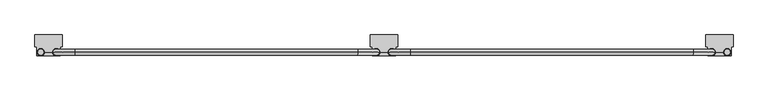
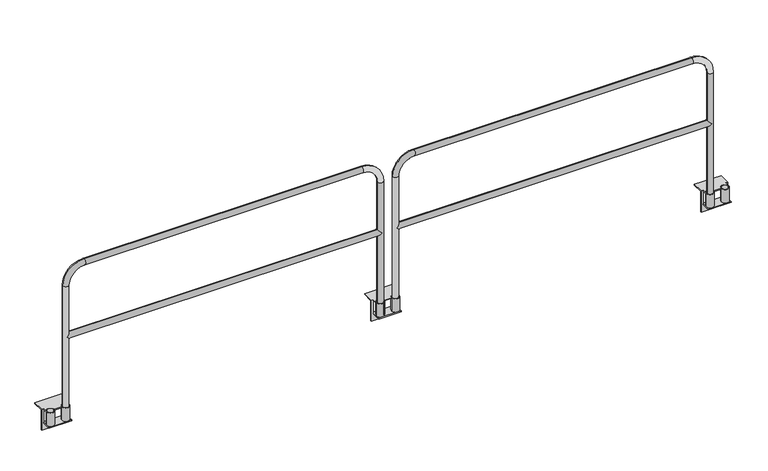
"""IFC4 building model written with IfcOpenShell, lengths in millimetres: railing geometry."""

from ifc_helpers import new_model, si_unit, point, frame, frame_2d, origin, place, context, project, spatial, polyline, circle_curve, ellipse_curve, trimmed, segment, composite_curve, outline, extrude, source, transform, mapped, element, save
from ifc_brep_helpers import plane_surface, cylinder_surface, revolved_surface, advanced_brep


def railing_2805d14e(model_context):
    return source(origin(), model_context, "Body", "SolidModel", [
        advanced_brep(
        [(22042.6627627, 12366.0676937, -95.25), (22042.6627627, 12366.0676937, -101.6), (22042.6627627, 12431.1551937, -101.6), (22042.6627627, 12431.1551937, -95.25), (22042.6627627, 12393.0551937, -95.25), (22042.6627627, 12431.1551937, 6.35), (22042.6627627, 12393.0551937, 6.35), (22042.6627627, 12393.0551937, 0.0), (22042.6627627, 12431.1551937, 0.0), (21880.9246893, 12431.1551937, -101.6), (21880.9246893, 12366.0676937, -101.6), (21880.9246893, 12366.0676937, -95.25), (21880.9246893, 12393.0551937, -95.25), (21880.9246893, 12431.1551937, -95.25), (21880.9246893, 12431.1551937, 0.0), (21880.9246893, 12393.0551937, 0.0), (21880.9246893, 12393.0551937, 6.35), (21880.9246893, 12431.1551937, 6.35), (21988.6877627, 12393.0551937, 6.35), (21934.8996893, 12393.0551937, 6.35), (21934.8996893, 12393.0551937, 0.0), (21988.6877627, 12393.0551937, 0.0), (21866.543726, 12513.7051937, 6.35), (21866.543726, 12431.1551937, 6.35), (22057.043726, 12431.1551937, 6.35), (22057.043726, 12513.7051937, 6.35), (21866.543726, 12513.7051937, 0.0), (22057.043726, 12513.7051937, 0.0), (21866.543726, 12437.5051937, 0.0), (22057.043726, 12437.5051937, 0.0), (22042.6627627, 12437.5051937, 0.0), (21880.9246893, 12437.5051937, 0.0), (21880.9246893, 12437.5051937, -95.25), (22042.6627627, 12437.5051937, -95.25), (22057.043726, 12437.5051937, -152.4), (21866.543726, 12437.5051937, -152.4), (21907.9121893, 12366.0676937, -95.25), (22015.6752627, 12366.0676937, -95.25), (21866.543726, 12431.1551937, -152.4), (22057.043726, 12431.1551937, -152.4)],
        [
            (0, 1),
            (1, 2),
            (2, 3),
            (3, 4),
            (4, 0),
            (5, 6),
            (6, 7),
            (7, 8),
            (8, 5),
            (9, 10),
            (10, 11),
            (11, 12),
            (12, 13),
            (13, 9),
            (14, 15),
            (15, 16),
            (16, 17),
            (17, 14),
            (18, 19),
            (19, 20),
            (20, 21),
            (21, 18),
            (22, 23),
            (23, 17),
            (16, 19, circle_curve(frame((21907.9121893, 12393.0551937, 6.35), z_axis=(0.0, 0.0, -1.0), x_axis=(1.0, 0.0, 0.0)), 26.9875)),
            (18, 6, circle_curve(frame((22015.6752627, 12393.0551937, 6.35), z_axis=(0.0, 0.0, -1.0), x_axis=(1.0, 0.0, 0.0)), 26.9875)),
            (5, 24),
            (24, 25),
            (25, 22),
            (26, 22),
            (25, 27),
            (27, 26),
            (28, 26),
            (27, 29),
            (29, 30),
            (30, 8),
            (7, 21, circle_curve(frame((22015.6752627, 12393.0551937, 0.0), z_axis=(0.0, 0.0, 1.0), x_axis=(1.0, 0.0, 0.0)), 26.9875)),
            (20, 15, circle_curve(frame((21907.9121893, 12393.0551937, 0.0), z_axis=(0.0, 0.0, 1.0), x_axis=(1.0, 0.0, 0.0)), 26.9875)),
            (14, 31),
            (31, 28),
            (32, 33),
            (33, 30),
            (29, 34),
            (34, 35),
            (35, 28),
            (31, 32),
            (32, 13),
            (11, 36),
            (36, 37),
            (37, 0),
            (3, 33),
            (10, 1),
            (9, 2),
            (35, 38),
            (38, 23),
            (14, 13),
            (24, 39),
            (39, 34),
            (3, 8),
            (38, 39),
        ],
        [
            plane_surface(frame((22042.6627627, 12437.5051937, 0.0), z_axis=(1.0, 0.0, 0.0), x_axis=(0.0, 0.0, 1.0))),
            plane_surface(frame((21880.9246893, 12437.5051937, 0.0), z_axis=(-1.0, 0.0, 0.0), x_axis=(0.0, 0.0, 1.0))),
            plane_surface(frame((22042.6627627, 12393.0551937, 6.35), z_axis=(0.0, -1.0, 0.0), x_axis=(-1.0, 0.0, 0.0))),
            plane_surface(frame((22042.6627627, 12513.7051937, 6.35), z_axis=(0.0, 0.0, 1.0), x_axis=(-1.0, 0.0, 0.0))),
            plane_surface(frame((22042.6627627, 12513.7051937, 0.0), z_axis=(0.0, 1.0, 0.0), x_axis=(-1.0, 0.0, 0.0))),
            plane_surface(frame((22042.6627627, 12393.0551937, 0.0), z_axis=(0.0, 0.0, -1.0), x_axis=(-1.0, 0.0, 0.0))),
            plane_surface(frame((22042.6627627, 12437.5051937, -152.4), z_axis=(0.0, 1.0, 0.0), x_axis=(-1.0, 0.0, 0.0))),
            plane_surface(frame((22042.6627627, 12437.5051937, -95.25), z_axis=(0.0, 0.0, 1.0), x_axis=(-1.0, 0.0, 0.0))),
            plane_surface(frame((22042.6627627, 12366.0676937, -95.25), z_axis=(0.0, -1.0, 0.0), x_axis=(-1.0, 0.0, 0.0))),
            plane_surface(frame((22042.6627627, 12366.0676937, -101.6), z_axis=(0.0, 0.0, -1.0), x_axis=(-1.0, 0.0, 0.0))),
            plane_surface(frame((21866.543726, 12437.5051937, 0.0), z_axis=(-1.0, 0.0, 0.0), x_axis=(0.0, 0.0, 1.0))),
            plane_surface(frame((21880.9246893, 12437.5051937, 0.0), z_axis=(1.0, 0.0, 0.0), x_axis=(0.0, 0.0, 1.0))),
            plane_surface(frame((22057.043726, 12437.5051937, 0.0), z_axis=(1.0, 0.0, 0.0), x_axis=(0.0, 0.0, 1.0))),
            plane_surface(frame((22042.6627627, 12437.5051937, 0.0), z_axis=(-1.0, 0.0, 0.0), x_axis=(0.0, 0.0, 1.0))),
            revolved_surface(polyline([(21934.8996893, 12393.0551937, 6.349999999999994), (21934.8996893, 12393.0551937, 0.0)]), (21907.9121893, 12393.0551937, -95.25), (0.0, 0.0, 1.0)),
            revolved_surface(polyline([(22042.662762699998, 12393.0551937, 6.35), (22042.662762699998, 12393.0551937, 0.0)]), (22015.6752627, 12393.0551937, 0.0), (0.0, 0.0, 1.0)),
            plane_surface(frame((22042.6627627, 12431.1551937, -101.6), z_axis=(0.0, -1.0, 0.0), x_axis=(-1.0, 0.0, 0.0))),
            plane_surface(frame((22042.6627627, 12431.1551937, -152.4), z_axis=(0.0, 0.0, -1.0), x_axis=(-1.0, 0.0, 0.0))),
        ],
        [
            (0, [[1, 2, 3, 4, 5]]),
            (0, [[6, 7, 8, 9]]),
            (1, [[10, 11, 12, 13, 14]]),
            (1, [[15, 16, 17, 18]]),
            (2, [[19, 20, 21, 22]]),
            (3, [[23, 24, -17, 25, -19, 26, -6, 27, 28, 29]]),
            (4, [[30, -29, 31, 32]]),
            (5, [[33, -32, 34, 35, 36, -8, 37, -21, 38, -15, 39, 40]]),
            (6, [[41, 42, -35, 43, 44, 45, -40, 46]]),
            (7, [[-41, 47, -13, -12, 48, 49, 50, -5, -4, 51]]),
            (8, [[-1, -50, -49, -48, -11, 52]]),
            (9, [[-2, -52, -10, 53]]),
            (10, [[54, 55, -23, -30, -33, -45]]),
            (11, [[-46, -39, 56, -47]]),
            (12, [[-43, -34, -31, -28, 57, 58]]),
            (13, [[-42, -51, 59, -36]]),
            (14, [[-16, -38, -20, -25]]),
            (15, [[-7, -26, -22, -37]]),
            (16, [[-53, -14, -56, -18, -24, -55, 60, -57, -27, -9, -59, -3]]),
            (17, [[-54, -44, -58, -60]]),
        ],
    ),
        extrude(outline(composite_curve([segment(trimmed(circle_curve(frame_2d((22015.6752627, 12393.0551937)), 26.9875), [point((21988.6877627, 12393.0551937))], [point((22042.6627627, 12393.0551937))], False, "CARTESIAN"), True, "CONTINUOUS"), segment(trimmed(circle_curve(frame_2d((22015.6752627, 12393.0551937)), 26.9875), [point((22042.6627627, 12393.0551937))], [point((21988.6877627, 12393.0551937))], False, "CARTESIAN"), True, "CONTINUOUS")], self_intersect=False), holes=[composite_curve([segment(trimmed(circle_curve(frame_2d((22015.6752627, 12393.0551937)), 20.6375), [point((21995.0377627, 12393.0551937))], [point((22036.3127627, 12393.0551937))], True, "CARTESIAN"), True, "CONTINUOUS"), segment(trimmed(circle_curve(frame_2d((22015.6752627, 12393.0551937)), 20.6375), [point((22036.3127627, 12393.0551937))], [point((21995.0377627, 12393.0551937))], True, "CARTESIAN"), True, "CONTINUOUS")], self_intersect=False)]), frame((0.0, 0.0, -95.25), z_axis=(0.0, 0.0, 1.0), x_axis=(1.0, 0.0, 0.0)), (0.0, 0.0, 1.0), 101.6),
        extrude(outline(composite_curve([segment(trimmed(circle_curve(frame_2d((21907.9121893, 12393.0551937)), 26.9875), [point((21880.9246893, 12393.0551937))], [point((21934.8996893, 12393.0551937))], False, "CARTESIAN"), True, "CONTINUOUS"), segment(trimmed(circle_curve(frame_2d((21907.9121893, 12393.0551937)), 26.9875), [point((21934.8996893, 12393.0551937))], [point((21880.9246893, 12393.0551937))], False, "CARTESIAN"), True, "CONTINUOUS")], self_intersect=False), holes=[composite_curve([segment(trimmed(circle_curve(frame_2d((21907.9121893, 12393.0551937)), 20.6375), [point((21887.2746893, 12393.0551937))], [point((21928.5496893, 12393.0551937))], True, "CARTESIAN"), True, "CONTINUOUS"), segment(trimmed(circle_curve(frame_2d((21907.9121893, 12393.0551937)), 20.6375), [point((21928.5496893, 12393.0551937))], [point((21887.2746893, 12393.0551937))], True, "CARTESIAN"), True, "CONTINUOUS")], self_intersect=False)]), frame((0.0, 0.0, -95.25), z_axis=(0.0, 0.0, 1.0), x_axis=(1.0, 0.0, 0.0)), (0.0, 0.0, 1.0), 101.6),
        advanced_brep(
        [(24233.4127627, 12366.0676937, -95.25), (24233.4127627, 12393.0551937, -95.25), (24233.4127627, 12431.1551937, -95.25), (24233.4127627, 12431.1551937, -101.6), (24233.4127627, 12366.0676937, -101.6), (24233.4127627, 12431.1551937, 6.35), (24233.4127627, 12431.1551937, 0.0), (24233.4127627, 12393.0551937, 0.0), (24233.4127627, 12393.0551937, 6.35), (24395.1508362, 12431.1551937, -101.6), (24395.1508362, 12431.1551937, -95.25), (24395.1508362, 12393.0551937, -95.25), (24395.1508362, 12366.0676937, -95.25), (24395.1508362, 12366.0676937, -101.6), (24395.1508362, 12431.1551937, 0.0), (24395.1508362, 12431.1551937, 6.35), (24395.1508362, 12393.0551937, 6.35), (24395.1508362, 12393.0551937, 0.0), (24287.3877627, 12393.0551937, 6.35), (24287.3877627, 12393.0551937, 0.0), (24341.1758362, 12393.0551937, 0.0), (24341.1758362, 12393.0551937, 6.35), (24409.5317994, 12513.7051937, 6.35), (24219.0317994, 12513.7051937, 6.35), (24219.0317994, 12431.1551937, 6.35), (24409.5317994, 12431.1551937, 6.35), (24409.5317994, 12513.7051937, 0.0), (24219.0317994, 12513.7051937, 0.0), (24409.5317994, 12437.5051937, 0.0), (24395.1508362, 12437.5051937, 0.0), (24233.4127627, 12437.5051937, 0.0), (24219.0317994, 12437.5051937, 0.0), (24395.1508362, 12437.5051937, -95.25), (24409.5317994, 12437.5051937, -152.4), (24219.0317994, 12437.5051937, -152.4), (24233.4127627, 12437.5051937, -95.25), (24260.4002627, 12366.0676937, -95.25), (24368.1633362, 12366.0676937, -95.25), (24409.5317994, 12431.1551937, -152.4), (24219.0317994, 12431.1551937, -152.4)],
        [
            (0, 1),
            (1, 2),
            (2, 3),
            (3, 4),
            (4, 0),
            (5, 6),
            (6, 7),
            (7, 8),
            (8, 5),
            (9, 10),
            (10, 11),
            (11, 12),
            (12, 13),
            (13, 9),
            (14, 15),
            (15, 16),
            (16, 17),
            (17, 14),
            (18, 19),
            (19, 20),
            (20, 21),
            (21, 18),
            (22, 23),
            (23, 24),
            (24, 5),
            (8, 18, circle_curve(frame((24260.4002627, 12393.0551937, 6.35), z_axis=(0.0, 0.0, -1.0), x_axis=(-1.0, 0.0, 0.0)), 26.9875)),
            (21, 16, circle_curve(frame((24368.1633362, 12393.0551937, 6.35), z_axis=(0.0, 0.0, -1.0), x_axis=(-1.0, 0.0, 0.0)), 26.9875)),
            (15, 25),
            (25, 22),
            (26, 27),
            (27, 23),
            (22, 26),
            (28, 29),
            (29, 14),
            (17, 20, circle_curve(frame((24368.1633362, 12393.0551937, 0.0), z_axis=(0.0, 0.0, 1.0), x_axis=(-1.0, 0.0, 0.0)), 26.9875)),
            (19, 7, circle_curve(frame((24260.4002627, 12393.0551937, 0.0), z_axis=(0.0, 0.0, 1.0), x_axis=(-1.0, 0.0, 0.0)), 26.9875)),
            (6, 30),
            (30, 31),
            (31, 27),
            (26, 28),
            (32, 29),
            (28, 33),
            (33, 34),
            (34, 31),
            (30, 35),
            (35, 32),
            (35, 2),
            (0, 36),
            (36, 37),
            (37, 12),
            (10, 32),
            (4, 13),
            (3, 9),
            (25, 38),
            (38, 33),
            (10, 14),
            (34, 39),
            (39, 24),
            (6, 2),
            (39, 38),
        ],
        [
            plane_surface(frame((24233.4127627, 12437.5051937, 0.0), z_axis=(-1.0, 0.0, 0.0), x_axis=(0.0, 0.0, 1.0))),
            plane_surface(frame((24395.1508362, 12437.5051937, 0.0), z_axis=(1.0, 0.0, 0.0), x_axis=(0.0, 0.0, 1.0))),
            plane_surface(frame((24233.4127627, 12393.0551937, 6.35), z_axis=(0.0, -1.0, 0.0), x_axis=(1.0, 0.0, 0.0))),
            plane_surface(frame((24233.4127627, 12513.7051937, 6.35), z_axis=(0.0, 0.0, 1.0), x_axis=(1.0, 0.0, 0.0))),
            plane_surface(frame((24233.4127627, 12513.7051937, 0.0), z_axis=(0.0, 1.0, 0.0), x_axis=(1.0, 0.0, 0.0))),
            plane_surface(frame((24233.4127627, 12393.0551937, 0.0), z_axis=(0.0, 0.0, -1.0), x_axis=(1.0, 0.0, 0.0))),
            plane_surface(frame((24233.4127627, 12437.5051937, -152.4), z_axis=(0.0, 1.0, 0.0), x_axis=(1.0, 0.0, 0.0))),
            plane_surface(frame((24233.4127627, 12437.5051937, -95.25), z_axis=(0.0, 0.0, 1.0), x_axis=(1.0, 0.0, 0.0))),
            plane_surface(frame((24233.4127627, 12366.0676937, -95.25), z_axis=(0.0, -1.0, 0.0), x_axis=(1.0, 0.0, 0.0))),
            plane_surface(frame((24233.4127627, 12366.0676937, -101.6), z_axis=(0.0, 0.0, -1.0), x_axis=(1.0, 0.0, 0.0))),
            plane_surface(frame((24409.5317994, 12437.5051937, 0.0), z_axis=(1.0, 0.0, 0.0), x_axis=(0.0, 0.0, 1.0))),
            plane_surface(frame((24395.1508362, 12437.5051937, 0.0), z_axis=(-1.0, 0.0, 0.0), x_axis=(0.0, 0.0, 1.0))),
            plane_surface(frame((24219.0317994, 12437.5051937, 0.0), z_axis=(-1.0, 0.0, 0.0), x_axis=(0.0, 0.0, 1.0))),
            plane_surface(frame((24233.4127627, 12437.5051937, 0.0), z_axis=(1.0, 0.0, 0.0), x_axis=(0.0, 0.0, 1.0))),
            revolved_surface(polyline([(24341.1758362, 12393.0551937, 6.349999999999994), (24341.1758362, 12393.0551937, 0.0)]), (24368.1633362, 12393.0551937, -95.25), (0.0, 0.0, 1.0)),
            revolved_surface(polyline([(24233.4127627, 12393.0551937, 6.35), (24233.4127627, 12393.0551937, 0.0)]), (24260.4002627, 12393.0551937, 0.0), (0.0, 0.0, 1.0)),
            plane_surface(frame((24233.4127627, 12431.1551937, -101.6), z_axis=(0.0, -1.0, 0.0), x_axis=(1.0, 0.0, 0.0))),
            plane_surface(frame((24233.4127627, 12431.1551937, -152.4), z_axis=(0.0, 0.0, -1.0), x_axis=(1.0, 0.0, 0.0))),
        ],
        [
            (0, [[1, 2, 3, 4, 5]]),
            (0, [[6, 7, 8, 9]]),
            (1, [[10, 11, 12, 13, 14]]),
            (1, [[15, 16, 17, 18]]),
            (2, [[19, 20, 21, 22]]),
            (3, [[23, 24, 25, -9, 26, -22, 27, -16, 28, 29]]),
            (4, [[30, 31, -23, 32]]),
            (5, [[33, 34, -18, 35, -20, 36, -7, 37, 38, 39, -30, 40]]),
            (6, [[41, -33, 42, 43, 44, -38, 45, 46]]),
            (7, [[47, -2, -1, 48, 49, 50, -12, -11, 51, -46]]),
            (8, [[52, -13, -50, -49, -48, -5]]),
            (9, [[53, -14, -52, -4]]),
            (10, [[-42, -40, -32, -29, 54, 55]]),
            (11, [[-51, 56, -34, -41]]),
            (12, [[57, 58, -24, -31, -39, -44]]),
            (13, [[-37, 59, -47, -45]]),
            (14, [[-27, -21, -35, -17]]),
            (15, [[-36, -19, -26, -8]]),
            (16, [[-3, -59, -6, -25, -58, 60, -54, -28, -15, -56, -10, -53]]),
            (17, [[-60, -57, -43, -55]]),
        ],
    ),
        extrude(outline(composite_curve([segment(trimmed(circle_curve(frame_2d((24260.4002627, 12393.0551937)), 26.9875), [point((24287.3877627, 12393.0551937))], [point((24233.4127627, 12393.0551937))], False, "CARTESIAN"), True, "CONTINUOUS"), segment(trimmed(circle_curve(frame_2d((24260.4002627, 12393.0551937)), 26.9875), [point((24233.4127627, 12393.0551937))], [point((24287.3877627, 12393.0551937))], False, "CARTESIAN"), True, "CONTINUOUS")], self_intersect=False), holes=[composite_curve([segment(trimmed(circle_curve(frame_2d((24260.4002627, 12393.0551937)), 20.6375), [point((24281.0377627, 12393.0551937))], [point((24239.7627627, 12393.0551937))], True, "CARTESIAN"), True, "CONTINUOUS"), segment(trimmed(circle_curve(frame_2d((24260.4002627, 12393.0551937)), 20.6375), [point((24239.7627627, 12393.0551937))], [point((24281.0377627, 12393.0551937))], True, "CARTESIAN"), True, "CONTINUOUS")], self_intersect=False)]), frame((0.0, 0.0, -95.25), z_axis=(0.0, 0.0, 1.0), x_axis=(1.0, 0.0, 0.0)), (0.0, 0.0, 1.0), 101.6),
        extrude(outline(composite_curve([segment(trimmed(circle_curve(frame_2d((24368.1633362, 12393.0551937)), 26.9875), [point((24395.1508362, 12393.0551937))], [point((24341.1758362, 12393.0551937))], False, "CARTESIAN"), True, "CONTINUOUS"), segment(trimmed(circle_curve(frame_2d((24368.1633362, 12393.0551937)), 26.9875), [point((24341.1758362, 12393.0551937))], [point((24395.1508362, 12393.0551937))], False, "CARTESIAN"), True, "CONTINUOUS")], self_intersect=False), holes=[composite_curve([segment(trimmed(circle_curve(frame_2d((24368.1633362, 12393.0551937)), 20.6375), [point((24388.8008362, 12393.0551937))], [point((24347.5258362, 12393.0551937))], True, "CARTESIAN"), True, "CONTINUOUS"), segment(trimmed(circle_curve(frame_2d((24368.1633362, 12393.0551937)), 20.6375), [point((24347.5258362, 12393.0551937))], [point((24388.8008362, 12393.0551937))], True, "CARTESIAN"), True, "CONTINUOUS")], self_intersect=False)]), frame((0.0, 0.0, -95.25), z_axis=(0.0, 0.0, 1.0), x_axis=(1.0, 0.0, 0.0)), (0.0, 0.0, 1.0), 101.6),
        advanced_brep(
        [(22036.3127627, 12393.0551937, 554.0375), (22015.6752627, 12372.4176937, 533.4), (22036.3127627, 12393.0551937, 512.7625), (24239.7627627, 12393.0551937, 512.7625), (24260.4002627, 12372.4176937, 533.4), (24239.7627627, 12393.0551937, 554.0375), (24260.4002627, 12413.6926937, 533.4), (22015.6752627, 12413.6926937, 533.4), (21995.0377627, 12393.0551937, -95.25), (22036.3127627, 12393.0551937, -95.25), (22036.3127627, 12393.0551937, 914.4), (21995.0377627, 12393.0551937, 914.4), (22147.4377627, 12393.0551937, 1025.525), (22147.4377627, 12393.0551937, 1066.8), (24128.6377627, 12393.0551937, 1025.525), (24128.6377627, 12393.0551937, 1066.8), (24239.7627627, 12393.0551937, 914.4), (24281.0377627, 12393.0551937, 914.4), (24281.0377627, 12393.0551937, -95.25), (24239.7627627, 12393.0551937, -95.25)],
        [
            (0, 1, ellipse_curve(frame((22015.6752627, 12393.0551937, 533.4), z_axis=(0.7071067811865475, 0.0, -0.7071067811865475), x_axis=(-0.7071067811865476, 0.0, -0.7071067811865474)), 29.1858324, 20.6375)),
            (1, 2, ellipse_curve(frame((22015.6752627, 12393.0551937, 533.4), z_axis=(0.7071067811865475, 0.0, 0.7071067811865475), x_axis=(-0.7071067811865476, 0.0, 0.7071067811865474)), 29.1858324, 20.6375)),
            (2, 3),
            (3, 4, ellipse_curve(frame((24260.4002627, 12393.0551937, 533.4), z_axis=(-0.7071067811865475, 0.0, 0.7071067811865475), x_axis=(-0.7071067811865476, 0.0, -0.7071067811865474)), 29.1858324, 20.6375)),
            (4, 5, ellipse_curve(frame((24260.4002627, 12393.0551937, 533.4), z_axis=(-0.7071067811865475, 0.0, -0.7071067811865475), x_axis=(-0.7071067811865476, 0.0, 0.7071067811865474)), 29.1858324, 20.6375)),
            (5, 0),
            (5, 6, ellipse_curve(frame((24260.4002627, 12393.0551937, 533.4), z_axis=(-0.7071067811865475, 0.0, -0.7071067811865475), x_axis=(-0.7071067811865476, 0.0, 0.7071067811865474)), 29.1858324, 20.6375)),
            (6, 3, ellipse_curve(frame((24260.4002627, 12393.0551937, 533.4), z_axis=(-0.7071067811865475, 0.0, 0.7071067811865475), x_axis=(-0.7071067811865476, 0.0, -0.7071067811865474)), 29.1858324, 20.6375)),
            (2, 7, ellipse_curve(frame((22015.6752627, 12393.0551937, 533.4), z_axis=(0.7071067811865475, 0.0, 0.7071067811865475), x_axis=(-0.7071067811865476, 0.0, 0.7071067811865474)), 29.1858324, 20.6375)),
            (7, 0, ellipse_curve(frame((22015.6752627, 12393.0551937, 533.4), z_axis=(0.7071067811865475, 0.0, -0.7071067811865475), x_axis=(-0.7071067811865476, 0.0, -0.7071067811865474)), 29.1858324, 20.6375)),
            (8, 9, circle_curve(frame((22015.6752627, 12393.0551937, -95.25), z_axis=(0.0, 0.0, -1.0), x_axis=(1.0, 0.0, 0.0)), 20.6375)),
            (9, 8, circle_curve(frame((22015.6752627, 12393.0551937, -95.25), z_axis=(0.0, 0.0, -1.0), x_axis=(1.0, 0.0, 0.0)), 20.6375)),
            (9, 2),
            (0, 10),
            (10, 11, circle_curve(frame((22015.6752627, 12393.0551937, 914.4), z_axis=(0.0, 0.0, -1.0), x_axis=(1.0, 0.0, 0.0)), 20.6375)),
            (11, 8),
            (11, 10, circle_curve(frame((22015.6752627, 12393.0551937, 914.4), z_axis=(0.0, 0.0, -1.0), x_axis=(1.0, 0.0, 0.0)), 20.6375)),
            (10, 12, circle_curve(frame((22147.4377627, 12393.0551937, 914.4), z_axis=(0.0, 1.0, 0.0), x_axis=(-1.0, 0.0, 0.0)), 111.125)),
            (12, 13, circle_curve(frame((22147.4377627, 12393.0551937, 1046.1625), z_axis=(-1.0, 0.0, 0.0), x_axis=(0.0, 0.0, -1.0)), 20.6375)),
            (13, 11, circle_curve(frame((22147.4377627, 12393.0551937, 914.4), z_axis=(0.0, -1.0, 0.0), x_axis=(-1.0, 0.0, 0.0)), 152.4)),
            (13, 12, circle_curve(frame((22147.4377627, 12393.0551937, 1046.1625), z_axis=(-1.0, 0.0, 0.0), x_axis=(0.0, 0.0, -1.0)), 20.6375)),
            (12, 14),
            (14, 15, circle_curve(frame((24128.6377627, 12393.0551937, 1046.1625), z_axis=(-1.0, 0.0, 0.0), x_axis=(0.0, 0.0, -1.0)), 20.6375)),
            (15, 13),
            (15, 14, circle_curve(frame((24128.6377627, 12393.0551937, 1046.1625), z_axis=(-1.0, 0.0, 0.0), x_axis=(0.0, 0.0, -1.0)), 20.6375)),
            (14, 16, circle_curve(frame((24128.6377627, 12393.0551937, 914.4), z_axis=(0.0, 1.0, 0.0), x_axis=(0.0, 0.0, 1.0)), 111.125)),
            (16, 17, circle_curve(frame((24260.4002627, 12393.0551937, 914.4), z_axis=(0.0, 0.0, 1.0), x_axis=(-1.0, 0.0, 0.0)), 20.6375)),
            (17, 15, circle_curve(frame((24128.6377627, 12393.0551937, 914.4), z_axis=(0.0, -1.0, 0.0), x_axis=(0.0, 0.0, 1.0)), 152.4)),
            (17, 16, circle_curve(frame((24260.4002627, 12393.0551937, 914.4), z_axis=(0.0, 0.0, 1.0), x_axis=(-1.0, 0.0, 0.0)), 20.6375)),
            (18, 19, circle_curve(frame((24260.4002627, 12393.0551937, -95.25), z_axis=(0.0, 0.0, -1.0), x_axis=(-1.0, 0.0, 0.0)), 20.6375)),
            (19, 18, circle_curve(frame((24260.4002627, 12393.0551937, -95.25), z_axis=(0.0, 0.0, -1.0), x_axis=(-1.0, 0.0, 0.0)), 20.6375)),
            (16, 5),
            (3, 19),
            (18, 17),
        ],
        [
            cylinder_surface(frame((22015.6752627, 12393.0551937, 533.4), z_axis=(-1.0, 0.0, 0.0), x_axis=(0.0, 0.0, -1.0)), 20.6375),
            plane_surface(frame((21995.0377627, 12393.0551937, -95.25), z_axis=(0.0, 0.0, -1.0), x_axis=(0.0, -1.0, 0.0))),
            cylinder_surface(frame((22015.6752627, 12393.0551937, -95.25), z_axis=(0.0, 0.0, -1.0), x_axis=(1.0, 0.0, 0.0)), 20.6375),
            revolved_surface(trimmed(ellipse_curve(frame((22015.6752627, 12393.0551937, 914.4), z_axis=(0.0, 0.0, 1.0), x_axis=(1.0, 0.0, 0.0)), 20.6375, 20.6375), [point((21995.0377627, 12393.0551937, 914.4))], [point((22036.3127627, 12393.0551937, 914.4))], True, "CARTESIAN"), (22147.4377627, 12393.0551937, 914.4), (0.0, -1.0, 0.0)),
            revolved_surface(trimmed(ellipse_curve(frame((22015.6752627, 12393.0551937, 914.4), z_axis=(0.0, 0.0, 1.0), x_axis=(1.0, 0.0, 0.0)), 20.6375, 20.6375), [point((22036.3127627, 12393.0551937, 914.4))], [point((21995.0377627, 12393.0551937, 914.4))], True, "CARTESIAN"), (22147.4377627, 12393.0551937, 914.4), (0.0, -1.0, 0.0)),
            cylinder_surface(frame((22147.4377627, 12393.0551937, 1046.1625), z_axis=(-1.0, 0.0, 0.0), x_axis=(0.0, 0.0, -1.0)), 20.6375),
            revolved_surface(trimmed(ellipse_curve(frame((24128.6377627, 12393.0551937, 1046.1625), z_axis=(1.0, 0.0, 0.0), x_axis=(0.0, 0.0, -1.0)), 20.6375, 20.6375), [point((24128.6377627, 12393.0551937, 1066.8))], [point((24128.6377627, 12393.0551937, 1025.525))], True, "CARTESIAN"), (24128.6377627, 12393.0551937, 914.4), (0.0, -1.0, 0.0)),
            revolved_surface(trimmed(ellipse_curve(frame((24128.6377627, 12393.0551937, 1046.1625), z_axis=(1.0, 0.0, 0.0), x_axis=(0.0, 0.0, -1.0)), 20.6375, 20.6375), [point((24128.6377627, 12393.0551937, 1025.525))], [point((24128.6377627, 12393.0551937, 1066.8))], True, "CARTESIAN"), (24128.6377627, 12393.0551937, 914.4), (0.0, -1.0, 0.0)),
            plane_surface(frame((24281.0377627, 12393.0551937, -95.25), z_axis=(0.0, 0.0, -1.0), x_axis=(0.0, -1.0, 0.0))),
            cylinder_surface(frame((24260.4002627, 12393.0551937, 914.4), z_axis=(0.0, 0.0, 1.0), x_axis=(-1.0, 0.0, 0.0)), 20.6375),
        ],
        [
            (0, [[1, 2, 3, 4, 5, 6]]),
            (0, [[7, 8, -3, 9, 10, -6]]),
            (1, [[11, 12]]),
            (2, [[13, -2, -1, 14, 15, 16, -12]]),
            (2, [[-16, 17, -14, -10, -9, -13, -11]]),
            (3, [[18, 19, 20, -15]]),
            (4, [[-20, 21, -18, -17]]),
            (5, [[22, 23, 24, -19]]),
            (5, [[-24, 25, -22, -21]]),
            (6, [[26, 27, 28, -23]]),
            (7, [[-28, 29, -26, -25]]),
            (8, [[30, 31]]),
            (9, [[32, -5, -4, 33, -30, 34, -27]]),
            (9, [[-34, -31, -33, -8, -7, -32, -29]]),
        ],
    ),
        advanced_brep(
        [(19690.1862002, 12366.0676937, -95.25), (19690.1862002, 12366.0676937, -101.6), (19690.1862002, 12431.1551937, -101.6), (19690.1862002, 12431.1551937, -95.25), (19690.1862002, 12393.0551937, -95.25), (19690.1862002, 12431.1551937, 6.35), (19690.1862002, 12393.0551937, 6.35), (19690.1862002, 12393.0551937, 0.0), (19690.1862002, 12431.1551937, 0.0), (19528.4481268, 12431.1551937, -101.6), (19528.4481268, 12366.0676937, -101.6), (19528.4481268, 12366.0676937, -95.25), (19528.4481268, 12393.0551937, -95.25), (19528.4481268, 12431.1551937, -95.25), (19528.4481268, 12431.1551937, 0.0), (19528.4481268, 12393.0551937, 0.0), (19528.4481268, 12393.0551937, 6.35), (19528.4481268, 12431.1551937, 6.35), (19636.2112002, 12393.0551937, 6.35), (19582.4231268, 12393.0551937, 6.35), (19582.4231268, 12393.0551937, 0.0), (19636.2112002, 12393.0551937, 0.0), (19514.0671635, 12513.7051937, 6.35), (19514.0671635, 12431.1551937, 6.35), (19704.5671635, 12431.1551937, 6.35), (19704.5671635, 12513.7051937, 6.35), (19514.0671635, 12513.7051937, 0.0), (19704.5671635, 12513.7051937, 0.0), (19514.0671635, 12437.5051937, 0.0), (19704.5671635, 12437.5051937, 0.0), (19690.1862002, 12437.5051937, 0.0), (19528.4481268, 12437.5051937, 0.0), (19528.4481268, 12437.5051937, -95.25), (19690.1862002, 12437.5051937, -95.25), (19704.5671635, 12437.5051937, -152.4), (19514.0671635, 12437.5051937, -152.4), (19555.4356268, 12366.0676937, -95.25), (19663.1987002, 12366.0676937, -95.25), (19514.0671635, 12431.1551937, -152.4), (19704.5671635, 12431.1551937, -152.4)],
        [
            (0, 1),
            (1, 2),
            (2, 3),
            (3, 4),
            (4, 0),
            (5, 6),
            (6, 7),
            (7, 8),
            (8, 5),
            (9, 10),
            (10, 11),
            (11, 12),
            (12, 13),
            (13, 9),
            (14, 15),
            (15, 16),
            (16, 17),
            (17, 14),
            (18, 19),
            (19, 20),
            (20, 21),
            (21, 18),
            (22, 23),
            (23, 17),
            (16, 19, circle_curve(frame((19555.4356268, 12393.0551937, 6.35), z_axis=(0.0, 0.0, -1.0), x_axis=(1.0, 0.0, 0.0)), 26.9875)),
            (18, 6, circle_curve(frame((19663.1987002, 12393.0551937, 6.35), z_axis=(0.0, 0.0, -1.0), x_axis=(1.0, 0.0, 0.0)), 26.9875)),
            (5, 24),
            (24, 25),
            (25, 22),
            (26, 22),
            (25, 27),
            (27, 26),
            (28, 26),
            (27, 29),
            (29, 30),
            (30, 8),
            (7, 21, circle_curve(frame((19663.1987002, 12393.0551937, 0.0), z_axis=(0.0, 0.0, 1.0), x_axis=(1.0, 0.0, 0.0)), 26.9875)),
            (20, 15, circle_curve(frame((19555.4356268, 12393.0551937, 0.0), z_axis=(0.0, 0.0, 1.0), x_axis=(1.0, 0.0, 0.0)), 26.9875)),
            (14, 31),
            (31, 28),
            (32, 33),
            (33, 30),
            (29, 34),
            (34, 35),
            (35, 28),
            (31, 32),
            (32, 13),
            (11, 36),
            (36, 37),
            (37, 0),
            (3, 33),
            (10, 1),
            (9, 2),
            (35, 38),
            (38, 23),
            (14, 13),
            (24, 39),
            (39, 34),
            (3, 8),
            (38, 39),
        ],
        [
            plane_surface(frame((19690.1862002, 12437.5051937, 0.0), z_axis=(1.0, 0.0, 0.0), x_axis=(0.0, 0.0, 1.0))),
            plane_surface(frame((19528.4481268, 12437.5051937, 0.0), z_axis=(-1.0, 0.0, 0.0), x_axis=(0.0, 0.0, 1.0))),
            plane_surface(frame((19690.1862002, 12393.0551937, 6.35), z_axis=(0.0, -1.0, 0.0), x_axis=(-1.0, 0.0, 0.0))),
            plane_surface(frame((19690.1862002, 12513.7051937, 6.35), z_axis=(0.0, 0.0, 1.0), x_axis=(-1.0, 0.0, 0.0))),
            plane_surface(frame((19690.1862002, 12513.7051937, 0.0), z_axis=(0.0, 1.0, 0.0), x_axis=(-1.0, 0.0, 0.0))),
            plane_surface(frame((19690.1862002, 12393.0551937, 0.0), z_axis=(0.0, 0.0, -1.0), x_axis=(-1.0, 0.0, 0.0))),
            plane_surface(frame((19690.1862002, 12437.5051937, -152.4), z_axis=(0.0, 1.0, 0.0), x_axis=(-1.0, 0.0, 0.0))),
            plane_surface(frame((19690.1862002, 12437.5051937, -95.25), z_axis=(0.0, 0.0, 1.0), x_axis=(-1.0, 0.0, 0.0))),
            plane_surface(frame((19690.1862002, 12366.0676937, -95.25), z_axis=(0.0, -1.0, 0.0), x_axis=(-1.0, 0.0, 0.0))),
            plane_surface(frame((19690.1862002, 12366.0676937, -101.6), z_axis=(0.0, 0.0, -1.0), x_axis=(-1.0, 0.0, 0.0))),
            plane_surface(frame((19514.0671635, 12437.5051937, 0.0), z_axis=(-1.0, 0.0, 0.0), x_axis=(0.0, 0.0, 1.0))),
            plane_surface(frame((19528.4481268, 12437.5051937, 0.0), z_axis=(1.0, 0.0, 0.0), x_axis=(0.0, 0.0, 1.0))),
            plane_surface(frame((19704.5671635, 12437.5051937, 0.0), z_axis=(1.0, 0.0, 0.0), x_axis=(0.0, 0.0, 1.0))),
            plane_surface(frame((19690.1862002, 12437.5051937, 0.0), z_axis=(-1.0, 0.0, 0.0), x_axis=(0.0, 0.0, 1.0))),
            revolved_surface(polyline([(19582.4231268, 12393.0551937, 6.349999999999994), (19582.4231268, 12393.0551937, 0.0)]), (19555.4356268, 12393.0551937, -95.25), (0.0, 0.0, 1.0)),
            revolved_surface(polyline([(19690.186200199998, 12393.0551937, 6.35), (19690.186200199998, 12393.0551937, 0.0)]), (19663.1987002, 12393.0551937, 0.0), (0.0, 0.0, 1.0)),
            plane_surface(frame((19690.1862002, 12431.1551937, -101.6), z_axis=(0.0, -1.0, 0.0), x_axis=(-1.0, 0.0, 0.0))),
            plane_surface(frame((19690.1862002, 12431.1551937, -152.4), z_axis=(0.0, 0.0, -1.0), x_axis=(-1.0, 0.0, 0.0))),
        ],
        [
            (0, [[1, 2, 3, 4, 5]]),
            (0, [[6, 7, 8, 9]]),
            (1, [[10, 11, 12, 13, 14]]),
            (1, [[15, 16, 17, 18]]),
            (2, [[19, 20, 21, 22]]),
            (3, [[23, 24, -17, 25, -19, 26, -6, 27, 28, 29]]),
            (4, [[30, -29, 31, 32]]),
            (5, [[33, -32, 34, 35, 36, -8, 37, -21, 38, -15, 39, 40]]),
            (6, [[41, 42, -35, 43, 44, 45, -40, 46]]),
            (7, [[-41, 47, -13, -12, 48, 49, 50, -5, -4, 51]]),
            (8, [[-1, -50, -49, -48, -11, 52]]),
            (9, [[-2, -52, -10, 53]]),
            (10, [[54, 55, -23, -30, -33, -45]]),
            (11, [[-46, -39, 56, -47]]),
            (12, [[-43, -34, -31, -28, 57, 58]]),
            (13, [[-42, -51, 59, -36]]),
            (14, [[-16, -38, -20, -25]]),
            (15, [[-7, -26, -22, -37]]),
            (16, [[-53, -14, -56, -18, -24, -55, 60, -57, -27, -9, -59, -3]]),
            (17, [[-54, -44, -58, -60]]),
        ],
    ),
        extrude(outline(composite_curve([segment(trimmed(circle_curve(frame_2d((19663.1987002, 12393.0551937)), 26.9875), [point((19636.2112002, 12393.0551937))], [point((19690.1862002, 12393.0551937))], False, "CARTESIAN"), True, "CONTINUOUS"), segment(trimmed(circle_curve(frame_2d((19663.1987002, 12393.0551937)), 26.9875), [point((19690.1862002, 12393.0551937))], [point((19636.2112002, 12393.0551937))], False, "CARTESIAN"), True, "CONTINUOUS")], self_intersect=False), holes=[composite_curve([segment(trimmed(circle_curve(frame_2d((19663.1987002, 12393.0551937)), 20.6375), [point((19642.5612002, 12393.0551937))], [point((19683.8362002, 12393.0551937))], True, "CARTESIAN"), True, "CONTINUOUS"), segment(trimmed(circle_curve(frame_2d((19663.1987002, 12393.0551937)), 20.6375), [point((19683.8362002, 12393.0551937))], [point((19642.5612002, 12393.0551937))], True, "CARTESIAN"), True, "CONTINUOUS")], self_intersect=False)]), frame((0.0, 0.0, -95.25), z_axis=(0.0, 0.0, 1.0), x_axis=(1.0, 0.0, 0.0)), (0.0, 0.0, 1.0), 101.6),
        extrude(outline(composite_curve([segment(trimmed(circle_curve(frame_2d((19555.4356268, 12393.0551937)), 26.9875), [point((19528.4481268, 12393.0551937))], [point((19582.4231268, 12393.0551937))], False, "CARTESIAN"), True, "CONTINUOUS"), segment(trimmed(circle_curve(frame_2d((19555.4356268, 12393.0551937)), 26.9875), [point((19582.4231268, 12393.0551937))], [point((19528.4481268, 12393.0551937))], False, "CARTESIAN"), True, "CONTINUOUS")], self_intersect=False), holes=[composite_curve([segment(trimmed(circle_curve(frame_2d((19555.4356268, 12393.0551937)), 20.6375), [point((19534.7981268, 12393.0551937))], [point((19576.0731268, 12393.0551937))], True, "CARTESIAN"), True, "CONTINUOUS"), segment(trimmed(circle_curve(frame_2d((19555.4356268, 12393.0551937)), 20.6375), [point((19576.0731268, 12393.0551937))], [point((19534.7981268, 12393.0551937))], True, "CARTESIAN"), True, "CONTINUOUS")], self_intersect=False)]), frame((0.0, 0.0, -95.25), z_axis=(0.0, 0.0, 1.0), x_axis=(1.0, 0.0, 0.0)), (0.0, 0.0, 1.0), 101.6),
        advanced_brep(
        [(21880.9362002, 12366.0676937, -95.25), (21880.9362002, 12393.0551937, -95.25), (21880.9362002, 12431.1551937, -95.25), (21880.9362002, 12431.1551937, -101.6), (21880.9362002, 12366.0676937, -101.6), (21880.9362002, 12431.1551937, 6.35), (21880.9362002, 12431.1551937, 0.0), (21880.9362002, 12393.0551937, 0.0), (21880.9362002, 12393.0551937, 6.35), (22042.6742737, 12431.1551937, -101.6), (22042.6742737, 12431.1551937, -95.25), (22042.6742737, 12393.0551937, -95.25), (22042.6742737, 12366.0676937, -95.25), (22042.6742737, 12366.0676937, -101.6), (22042.6742737, 12431.1551937, 0.0), (22042.6742737, 12431.1551937, 6.35), (22042.6742737, 12393.0551937, 6.35), (22042.6742737, 12393.0551937, 0.0), (21934.9112002, 12393.0551937, 6.35), (21934.9112002, 12393.0551937, 0.0), (21988.6992737, 12393.0551937, 0.0), (21988.6992737, 12393.0551937, 6.35), (22057.0552369, 12513.7051937, 6.35), (21866.5552369, 12513.7051937, 6.35), (21866.5552369, 12431.1551937, 6.35), (22057.0552369, 12431.1551937, 6.35), (22057.0552369, 12513.7051937, 0.0), (21866.5552369, 12513.7051937, 0.0), (22057.0552369, 12437.5051937, 0.0), (22042.6742737, 12437.5051937, 0.0), (21880.9362002, 12437.5051937, 0.0), (21866.5552369, 12437.5051937, 0.0), (22042.6742737, 12437.5051937, -95.25), (22057.0552369, 12437.5051937, -152.4), (21866.5552369, 12437.5051937, -152.4), (21880.9362002, 12437.5051937, -95.25), (21907.9237002, 12366.0676937, -95.25), (22015.6867737, 12366.0676937, -95.25), (22057.0552369, 12431.1551937, -152.4), (21866.5552369, 12431.1551937, -152.4)],
        [
            (0, 1),
            (1, 2),
            (2, 3),
            (3, 4),
            (4, 0),
            (5, 6),
            (6, 7),
            (7, 8),
            (8, 5),
            (9, 10),
            (10, 11),
            (11, 12),
            (12, 13),
            (13, 9),
            (14, 15),
            (15, 16),
            (16, 17),
            (17, 14),
            (18, 19),
            (19, 20),
            (20, 21),
            (21, 18),
            (22, 23),
            (23, 24),
            (24, 5),
            (8, 18, circle_curve(frame((21907.9237002, 12393.0551937, 6.35), z_axis=(0.0, 0.0, -1.0), x_axis=(-1.0, 0.0, 0.0)), 26.9875)),
            (21, 16, circle_curve(frame((22015.6867737, 12393.0551937, 6.35), z_axis=(0.0, 0.0, -1.0), x_axis=(-1.0, 0.0, 0.0)), 26.9875)),
            (15, 25),
            (25, 22),
            (26, 27),
            (27, 23),
            (22, 26),
            (28, 29),
            (29, 14),
            (17, 20, circle_curve(frame((22015.6867737, 12393.0551937, 0.0), z_axis=(0.0, 0.0, 1.0), x_axis=(-1.0, 0.0, 0.0)), 26.9875)),
            (19, 7, circle_curve(frame((21907.9237002, 12393.0551937, 0.0), z_axis=(0.0, 0.0, 1.0), x_axis=(-1.0, 0.0, 0.0)), 26.9875)),
            (6, 30),
            (30, 31),
            (31, 27),
            (26, 28),
            (32, 29),
            (28, 33),
            (33, 34),
            (34, 31),
            (30, 35),
            (35, 32),
            (35, 2),
            (0, 36),
            (36, 37),
            (37, 12),
            (10, 32),
            (4, 13),
            (3, 9),
            (25, 38),
            (38, 33),
            (10, 14),
            (34, 39),
            (39, 24),
            (6, 2),
            (39, 38),
        ],
        [
            plane_surface(frame((21880.9362002, 12437.5051937, 0.0), z_axis=(-1.0, 0.0, 0.0), x_axis=(0.0, 0.0, 1.0))),
            plane_surface(frame((22042.6742737, 12437.5051937, 0.0), z_axis=(1.0, 0.0, 0.0), x_axis=(0.0, 0.0, 1.0))),
            plane_surface(frame((21880.9362002, 12393.0551937, 6.35), z_axis=(0.0, -1.0, 0.0), x_axis=(1.0, 0.0, 0.0))),
            plane_surface(frame((21880.9362002, 12513.7051937, 6.35), z_axis=(0.0, 0.0, 1.0), x_axis=(1.0, 0.0, 0.0))),
            plane_surface(frame((21880.9362002, 12513.7051937, 0.0), z_axis=(0.0, 1.0, 0.0), x_axis=(1.0, 0.0, 0.0))),
            plane_surface(frame((21880.9362002, 12393.0551937, 0.0), z_axis=(0.0, 0.0, -1.0), x_axis=(1.0, 0.0, 0.0))),
            plane_surface(frame((21880.9362002, 12437.5051937, -152.4), z_axis=(0.0, 1.0, 0.0), x_axis=(1.0, 0.0, 0.0))),
            plane_surface(frame((21880.9362002, 12437.5051937, -95.25), z_axis=(0.0, 0.0, 1.0), x_axis=(1.0, 0.0, 0.0))),
            plane_surface(frame((21880.9362002, 12366.0676937, -95.25), z_axis=(0.0, -1.0, 0.0), x_axis=(1.0, 0.0, 0.0))),
            plane_surface(frame((21880.9362002, 12366.0676937, -101.6), z_axis=(0.0, 0.0, -1.0), x_axis=(1.0, 0.0, 0.0))),
            plane_surface(frame((22057.0552369, 12437.5051937, 0.0), z_axis=(1.0, 0.0, 0.0), x_axis=(0.0, 0.0, 1.0))),
            plane_surface(frame((22042.6742737, 12437.5051937, 0.0), z_axis=(-1.0, 0.0, 0.0), x_axis=(0.0, 0.0, 1.0))),
            plane_surface(frame((21866.5552369, 12437.5051937, 0.0), z_axis=(-1.0, 0.0, 0.0), x_axis=(0.0, 0.0, 1.0))),
            plane_surface(frame((21880.9362002, 12437.5051937, 0.0), z_axis=(1.0, 0.0, 0.0), x_axis=(0.0, 0.0, 1.0))),
            revolved_surface(polyline([(21988.6992737, 12393.0551937, 6.349999999999994), (21988.6992737, 12393.0551937, 0.0)]), (22015.6867737, 12393.0551937, -95.25), (0.0, 0.0, 1.0)),
            revolved_surface(polyline([(21880.9362002, 12393.0551937, 6.35), (21880.9362002, 12393.0551937, 0.0)]), (21907.9237002, 12393.0551937, 0.0), (0.0, 0.0, 1.0)),
            plane_surface(frame((21880.9362002, 12431.1551937, -101.6), z_axis=(0.0, -1.0, 0.0), x_axis=(1.0, 0.0, 0.0))),
            plane_surface(frame((21880.9362002, 12431.1551937, -152.4), z_axis=(0.0, 0.0, -1.0), x_axis=(1.0, 0.0, 0.0))),
        ],
        [
            (0, [[1, 2, 3, 4, 5]]),
            (0, [[6, 7, 8, 9]]),
            (1, [[10, 11, 12, 13, 14]]),
            (1, [[15, 16, 17, 18]]),
            (2, [[19, 20, 21, 22]]),
            (3, [[23, 24, 25, -9, 26, -22, 27, -16, 28, 29]]),
            (4, [[30, 31, -23, 32]]),
            (5, [[33, 34, -18, 35, -20, 36, -7, 37, 38, 39, -30, 40]]),
            (6, [[41, -33, 42, 43, 44, -38, 45, 46]]),
            (7, [[47, -2, -1, 48, 49, 50, -12, -11, 51, -46]]),
            (8, [[52, -13, -50, -49, -48, -5]]),
            (9, [[53, -14, -52, -4]]),
            (10, [[-42, -40, -32, -29, 54, 55]]),
            (11, [[-51, 56, -34, -41]]),
            (12, [[57, 58, -24, -31, -39, -44]]),
            (13, [[-37, 59, -47, -45]]),
            (14, [[-27, -21, -35, -17]]),
            (15, [[-36, -19, -26, -8]]),
            (16, [[-3, -59, -6, -25, -58, 60, -54, -28, -15, -56, -10, -53]]),
            (17, [[-60, -57, -43, -55]]),
        ],
    ),
        extrude(outline(composite_curve([segment(trimmed(circle_curve(frame_2d((21907.9237002, 12393.0551937)), 26.9875), [point((21934.9112002, 12393.0551937))], [point((21880.9362002, 12393.0551937))], False, "CARTESIAN"), True, "CONTINUOUS"), segment(trimmed(circle_curve(frame_2d((21907.9237002, 12393.0551937)), 26.9875), [point((21880.9362002, 12393.0551937))], [point((21934.9112002, 12393.0551937))], False, "CARTESIAN"), True, "CONTINUOUS")], self_intersect=False), holes=[composite_curve([segment(trimmed(circle_curve(frame_2d((21907.9237002, 12393.0551937)), 20.6375), [point((21928.5612002, 12393.0551937))], [point((21887.2862002, 12393.0551937))], True, "CARTESIAN"), True, "CONTINUOUS"), segment(trimmed(circle_curve(frame_2d((21907.9237002, 12393.0551937)), 20.6375), [point((21887.2862002, 12393.0551937))], [point((21928.5612002, 12393.0551937))], True, "CARTESIAN"), True, "CONTINUOUS")], self_intersect=False)]), frame((0.0, 0.0, -95.25), z_axis=(0.0, 0.0, 1.0), x_axis=(1.0, 0.0, 0.0)), (0.0, 0.0, 1.0), 101.6),
        extrude(outline(composite_curve([segment(trimmed(circle_curve(frame_2d((22015.6867737, 12393.0551937)), 26.9875), [point((22042.6742737, 12393.0551937))], [point((21988.6992737, 12393.0551937))], False, "CARTESIAN"), True, "CONTINUOUS"), segment(trimmed(circle_curve(frame_2d((22015.6867737, 12393.0551937)), 26.9875), [point((21988.6992737, 12393.0551937))], [point((22042.6742737, 12393.0551937))], False, "CARTESIAN"), True, "CONTINUOUS")], self_intersect=False), holes=[composite_curve([segment(trimmed(circle_curve(frame_2d((22015.6867737, 12393.0551937)), 20.6375), [point((22036.3242737, 12393.0551937))], [point((21995.0492737, 12393.0551937))], True, "CARTESIAN"), True, "CONTINUOUS"), segment(trimmed(circle_curve(frame_2d((22015.6867737, 12393.0551937)), 20.6375), [point((21995.0492737, 12393.0551937))], [point((22036.3242737, 12393.0551937))], True, "CARTESIAN"), True, "CONTINUOUS")], self_intersect=False)]), frame((0.0, 0.0, -95.25), z_axis=(0.0, 0.0, 1.0), x_axis=(1.0, 0.0, 0.0)), (0.0, 0.0, 1.0), 101.6),
        advanced_brep(
        [(19683.8362002, 12393.0551937, 554.0375), (19663.1987002, 12372.4176937, 533.4), (19683.8362002, 12393.0551937, 512.7625), (21887.2862002, 12393.0551937, 512.7625), (21907.9237002, 12372.4176937, 533.4), (21887.2862002, 12393.0551937, 554.0375), (21907.9237002, 12413.6926937, 533.4), (19663.1987002, 12413.6926937, 533.4), (19642.5612002, 12393.0551937, -95.25), (19683.8362002, 12393.0551937, -95.25), (19683.8362002, 12393.0551937, 914.4), (19642.5612002, 12393.0551937, 914.4), (19794.9612002, 12393.0551937, 1025.525), (19794.9612002, 12393.0551937, 1066.8), (21776.1612002, 12393.0551937, 1025.525), (21776.1612002, 12393.0551937, 1066.8), (21887.2862002, 12393.0551937, 914.4), (21928.5612002, 12393.0551937, 914.4), (21928.5612002, 12393.0551937, -95.25), (21887.2862002, 12393.0551937, -95.25)],
        [
            (0, 1, ellipse_curve(frame((19663.1987002, 12393.0551937, 533.4), z_axis=(0.7071067811865475, 0.0, -0.7071067811865475), x_axis=(-0.7071067811865476, 0.0, -0.7071067811865474)), 29.1858324, 20.6375)),
            (1, 2, ellipse_curve(frame((19663.1987002, 12393.0551937, 533.4), z_axis=(0.7071067811865475, 0.0, 0.7071067811865475), x_axis=(-0.7071067811865476, 0.0, 0.7071067811865474)), 29.1858324, 20.6375)),
            (2, 3),
            (3, 4, ellipse_curve(frame((21907.9237002, 12393.0551937, 533.4), z_axis=(-0.7071067811865475, 0.0, 0.7071067811865475), x_axis=(-0.7071067811865476, 0.0, -0.7071067811865474)), 29.1858324, 20.6375)),
            (4, 5, ellipse_curve(frame((21907.9237002, 12393.0551937, 533.4), z_axis=(-0.7071067811865475, 0.0, -0.7071067811865475), x_axis=(-0.7071067811865476, 0.0, 0.7071067811865474)), 29.1858324, 20.6375)),
            (5, 0),
            (5, 6, ellipse_curve(frame((21907.9237002, 12393.0551937, 533.4), z_axis=(-0.7071067811865475, 0.0, -0.7071067811865475), x_axis=(-0.7071067811865476, 0.0, 0.7071067811865474)), 29.1858324, 20.6375)),
            (6, 3, ellipse_curve(frame((21907.9237002, 12393.0551937, 533.4), z_axis=(-0.7071067811865475, 0.0, 0.7071067811865475), x_axis=(-0.7071067811865476, 0.0, -0.7071067811865474)), 29.1858324, 20.6375)),
            (2, 7, ellipse_curve(frame((19663.1987002, 12393.0551937, 533.4), z_axis=(0.7071067811865475, 0.0, 0.7071067811865475), x_axis=(-0.7071067811865476, 0.0, 0.7071067811865474)), 29.1858324, 20.6375)),
            (7, 0, ellipse_curve(frame((19663.1987002, 12393.0551937, 533.4), z_axis=(0.7071067811865475, 0.0, -0.7071067811865475), x_axis=(-0.7071067811865476, 0.0, -0.7071067811865474)), 29.1858324, 20.6375)),
            (8, 9, circle_curve(frame((19663.1987002, 12393.0551937, -95.25), z_axis=(0.0, 0.0, -1.0), x_axis=(1.0, 0.0, 0.0)), 20.6375)),
            (9, 8, circle_curve(frame((19663.1987002, 12393.0551937, -95.25), z_axis=(0.0, 0.0, -1.0), x_axis=(1.0, 0.0, 0.0)), 20.6375)),
            (9, 2),
            (0, 10),
            (10, 11, circle_curve(frame((19663.1987002, 12393.0551937, 914.4), z_axis=(0.0, 0.0, -1.0), x_axis=(1.0, 0.0, 0.0)), 20.6375)),
            (11, 8),
            (11, 10, circle_curve(frame((19663.1987002, 12393.0551937, 914.4), z_axis=(0.0, 0.0, -1.0), x_axis=(1.0, 0.0, 0.0)), 20.6375)),
            (10, 12, circle_curve(frame((19794.9612002, 12393.0551937, 914.4), z_axis=(0.0, 1.0, 0.0), x_axis=(-1.0, 0.0, 0.0)), 111.125)),
            (12, 13, circle_curve(frame((19794.9612002, 12393.0551937, 1046.1625), z_axis=(-1.0, 0.0, 0.0), x_axis=(0.0, 0.0, -1.0)), 20.6375)),
            (13, 11, circle_curve(frame((19794.9612002, 12393.0551937, 914.4), z_axis=(0.0, -1.0, 0.0), x_axis=(-1.0, 0.0, 0.0)), 152.4)),
            (13, 12, circle_curve(frame((19794.9612002, 12393.0551937, 1046.1625), z_axis=(-1.0, 0.0, 0.0), x_axis=(0.0, 0.0, -1.0)), 20.6375)),
            (12, 14),
            (14, 15, circle_curve(frame((21776.1612002, 12393.0551937, 1046.1625), z_axis=(-1.0, 0.0, 0.0), x_axis=(0.0, 0.0, -1.0)), 20.6375)),
            (15, 13),
            (15, 14, circle_curve(frame((21776.1612002, 12393.0551937, 1046.1625), z_axis=(-1.0, 0.0, 0.0), x_axis=(0.0, 0.0, -1.0)), 20.6375)),
            (14, 16, circle_curve(frame((21776.1612002, 12393.0551937, 914.4), z_axis=(0.0, 1.0, 0.0), x_axis=(0.0, 0.0, 1.0)), 111.125)),
            (16, 17, circle_curve(frame((21907.9237002, 12393.0551937, 914.4), z_axis=(0.0, 0.0, 1.0), x_axis=(-1.0, 0.0, 0.0)), 20.6375)),
            (17, 15, circle_curve(frame((21776.1612002, 12393.0551937, 914.4), z_axis=(0.0, -1.0, 0.0), x_axis=(0.0, 0.0, 1.0)), 152.4)),
            (17, 16, circle_curve(frame((21907.9237002, 12393.0551937, 914.4), z_axis=(0.0, 0.0, 1.0), x_axis=(-1.0, 0.0, 0.0)), 20.6375)),
            (18, 19, circle_curve(frame((21907.9237002, 12393.0551937, -95.25), z_axis=(0.0, 0.0, -1.0), x_axis=(-1.0, 0.0, 0.0)), 20.6375)),
            (19, 18, circle_curve(frame((21907.9237002, 12393.0551937, -95.25), z_axis=(0.0, 0.0, -1.0), x_axis=(-1.0, 0.0, 0.0)), 20.6375)),
            (16, 5),
            (3, 19),
            (18, 17),
        ],
        [
            cylinder_surface(frame((19663.1987002, 12393.0551937, 533.4), z_axis=(-1.0, 0.0, 0.0), x_axis=(0.0, 0.0, -1.0)), 20.6375),
            plane_surface(frame((19642.5612002, 12393.0551937, -95.25), z_axis=(0.0, 0.0, -1.0), x_axis=(0.0, -1.0, 0.0))),
            cylinder_surface(frame((19663.1987002, 12393.0551937, -95.25), z_axis=(0.0, 0.0, -1.0), x_axis=(1.0, 0.0, 0.0)), 20.6375),
            revolved_surface(trimmed(ellipse_curve(frame((19663.1987002, 12393.0551937, 914.4), z_axis=(0.0, 0.0, 1.0), x_axis=(1.0, 0.0, 0.0)), 20.6375, 20.6375), [point((19642.5612002, 12393.0551937, 914.4))], [point((19683.8362002, 12393.0551937, 914.4))], True, "CARTESIAN"), (19794.9612002, 12393.0551937, 914.4), (0.0, -1.0, 0.0)),
            revolved_surface(trimmed(ellipse_curve(frame((19663.1987002, 12393.0551937, 914.4), z_axis=(0.0, 0.0, 1.0), x_axis=(1.0, 0.0, 0.0)), 20.6375, 20.6375), [point((19683.8362002, 12393.0551937, 914.4))], [point((19642.5612002, 12393.0551937, 914.4))], True, "CARTESIAN"), (19794.9612002, 12393.0551937, 914.4), (0.0, -1.0, 0.0)),
            cylinder_surface(frame((19794.9612002, 12393.0551937, 1046.1625), z_axis=(-1.0, 0.0, 0.0), x_axis=(0.0, 0.0, -1.0)), 20.6375),
            revolved_surface(trimmed(ellipse_curve(frame((21776.1612002, 12393.0551937, 1046.1625), z_axis=(1.0, 0.0, 0.0), x_axis=(0.0, 0.0, -1.0)), 20.6375, 20.6375), [point((21776.1612002, 12393.0551937, 1066.8))], [point((21776.1612002, 12393.0551937, 1025.525))], True, "CARTESIAN"), (21776.1612002, 12393.0551937, 914.4), (0.0, -1.0, 0.0)),
            revolved_surface(trimmed(ellipse_curve(frame((21776.1612002, 12393.0551937, 1046.1625), z_axis=(1.0, 0.0, 0.0), x_axis=(0.0, 0.0, -1.0)), 20.6375, 20.6375), [point((21776.1612002, 12393.0551937, 1025.525))], [point((21776.1612002, 12393.0551937, 1066.8))], True, "CARTESIAN"), (21776.1612002, 12393.0551937, 914.4), (0.0, -1.0, 0.0)),
            plane_surface(frame((21928.5612002, 12393.0551937, -95.25), z_axis=(0.0, 0.0, -1.0), x_axis=(0.0, -1.0, 0.0))),
            cylinder_surface(frame((21907.9237002, 12393.0551937, 914.4), z_axis=(0.0, 0.0, 1.0), x_axis=(-1.0, 0.0, 0.0)), 20.6375),
        ],
        [
            (0, [[1, 2, 3, 4, 5, 6]]),
            (0, [[7, 8, -3, 9, 10, -6]]),
            (1, [[11, 12]]),
            (2, [[13, -2, -1, 14, 15, 16, -12]]),
            (2, [[-16, 17, -14, -10, -9, -13, -11]]),
            (3, [[18, 19, 20, -15]]),
            (4, [[-20, 21, -18, -17]]),
            (5, [[22, 23, 24, -19]]),
            (5, [[-24, 25, -22, -21]]),
            (6, [[26, 27, 28, -23]]),
            (7, [[-28, 29, -26, -25]]),
            (8, [[30, 31]]),
            (9, [[32, -5, -4, 33, -30, 34, -27]]),
            (9, [[-34, -31, -33, -8, -7, -32, -29]]),
        ],
    ),
    ])


if __name__ == "__main__":
    model = new_model("IFC4")
    model_context = context("Model", 3, world=origin())
    ifc_project = project(units=[si_unit("LENGTHUNIT", "METRE", prefix="MILLI")], contexts=[model_context])
    site = spatial("IfcSite", under=ifc_project)
    building = spatial("IfcBuilding", under=site)
    placement = place(None, origin())
    railing_shape = railing_2805d14e(model_context)
    element("IfcRailing", 1, at=placement, inside=building, context=model_context, shape_type="MappedRepresentation", body=[
        mapped(railing_shape, transform((0.0, 0.0, 0.0), x_axis=(1.0, 0.0, 0.0), y_axis=(0.0, 1.0, 0.0), z_axis=(0.0, 0.0, 1.0))),
    ])
    save(model, "model.ifc")
